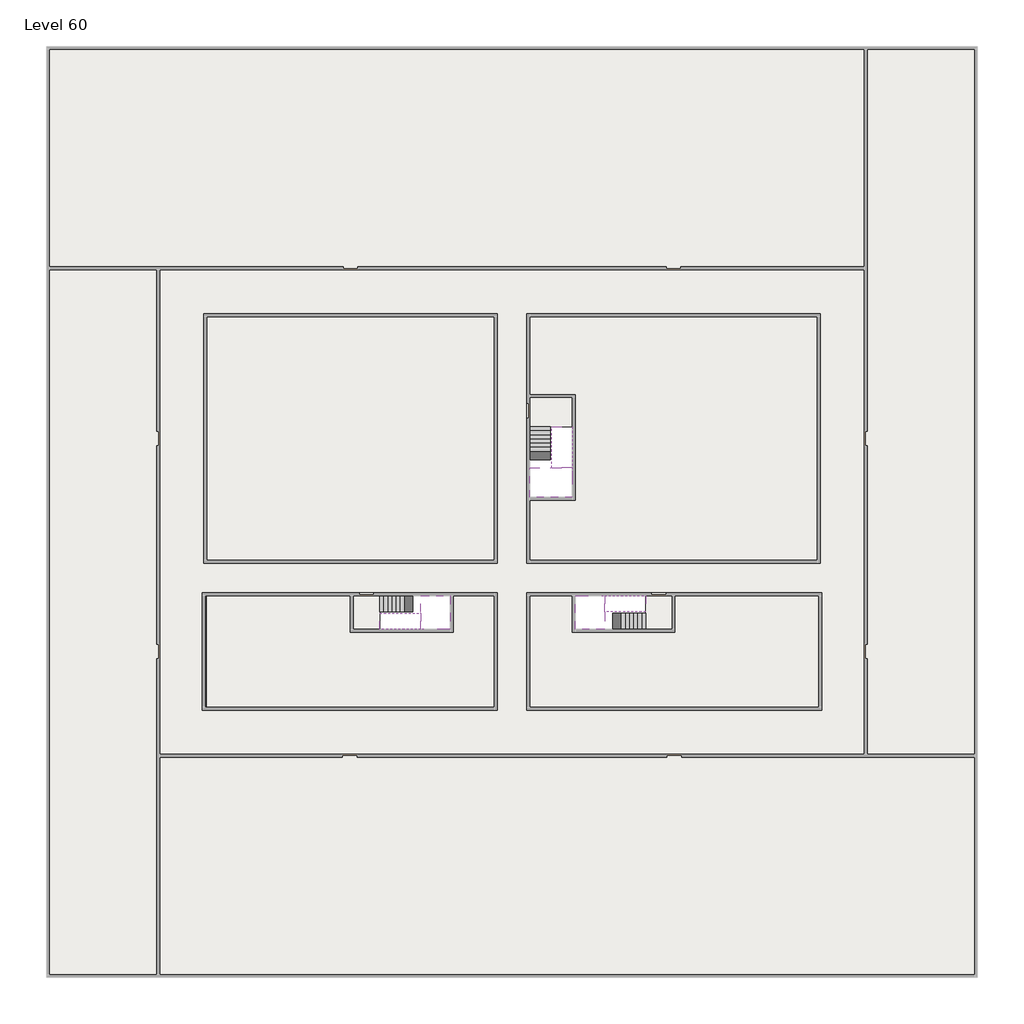
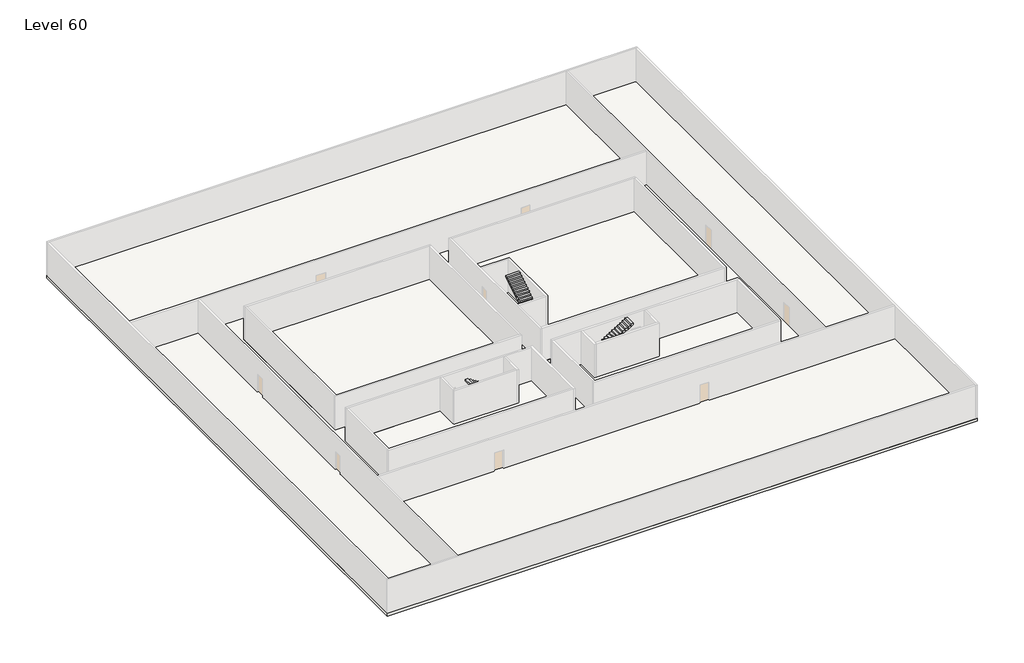
# One storey, part 2 of 2: 6 slabs, 6 stair flights.
"""IFC4 building model written with IfcOpenShell, lengths in millimetres."""

from ifc_helpers import new_model, si_unit, frame, origin, place, context, project, spatial, polyline, outline, extrude, faceted_brep, element, save

model = new_model("IFC4")

# Units and contexts
model_context = context("Model", 3, world=origin())
ifc_project = project(units=[si_unit("LENGTHUNIT", "METRE", prefix="MILLI")], contexts=[model_context])

# Site, building, storey
site = spatial("IfcSite", under=ifc_project)
building = spatial("IfcBuilding", under=site)
storey = spatial("IfcBuildingStorey", under=building, Name="Level 60", Elevation=224200.0)

# Slabs
placement = place(None, origin())
element("IfcSlab", 1, at=placement, inside=storey, context=model_context, shape_type="SweptSolid", body=[
    extrude(outline(polyline([(55890.1058784, -5518.09644), (55890.1058784, -68918.09644), (-7509.8941216, -68918.09644), (-7509.8941216, -5518.09644), (55890.1058784, -5518.09644)]), holes=[polyline([(23190.1058784, -23718.09644), (3190.1058784, -23718.09644), (3190.1058784, -40718.09644), (23190.1058784, -40718.09644), (23190.1058784, -23718.09644)]), polyline([(45190.1058784, -23718.09644), (25190.1058784, -23718.09644), (25190.1058784, -40718.09644), (45190.1058784, -40718.09644), (45190.1058784, -23718.09644)]), polyline([(23190.1058784, -50718.09644), (23190.1058784, -42718.09644), (3390.1058784, -42718.09644), (3390.1058784, -50718.09644), (23190.1058784, -50718.09644)]), polyline([(25190.1058784, -50718.09644), (45190.1058784, -50718.09644), (45190.1058784, -42718.09644), (25190.1058784, -42718.09644), (25190.1058784, -50718.09644)])]), frame((0.0, 0.0, 223900.0), z_axis=(0.0, 0.0, 1.0), x_axis=(1.0, 0.0, 0.0)), (0.0, 0.0, 1.0), 300.0),
])
element("IfcSlab", 2, at=placement, inside=storey, context=model_context, shape_type="Brep", body=[
    faceted_brep([(26790.1058784, -34218.09644, 226100.0), (25390.1058784, -34218.09644, 226100.0), (25390.1058784, -34297.4828763, 226100.0), (25390.1058784, -36218.09644, 226100.0), (28290.1058784, -36218.09644, 226100.0), (28290.1058784, -34418.7100038, 226100.0), (28290.1058784, -34218.09644, 226100.0), (26890.1058784, -34218.09644, 226100.0), (26790.1058784, -34218.09644, 225800.0), (26790.1058784, -34218.09644, 225751.0278478), (25390.1058784, -34218.09644, 225751.0278478), (25390.1058784, -34218.09644, 225927.2727273), (25390.1058784, -34297.4828763, 225800.0), (25390.1058784, -36218.09644, 225800.0), (28290.1058784, -36218.09644, 225800.0), (28290.1058784, -34418.7100038, 225800.0), (28290.1058784, -34218.09644, 225923.7551205), (26890.1058784, -34218.09644, 225923.7551205), (26890.1058784, -34218.09644, 225800.0), (26890.1058784, -34418.7100038, 225800.0), (26790.1058784, -34297.4828763, 225800.0)], [[[0, 1, 2, 3, 4, 5, 6, 7]], [[1, 0, 8, 9, 10, 11]], [[1, 11, 10, 12, 13, 3, 2]], [[4, 3, 13, 14]], [[4, 14, 15, 16, 6, 5]], [[7, 6, 16, 17]], [[0, 7, 17, 18, 8]], [[18, 19, 15, 14, 13, 12, 20, 8]], [[19, 18, 17]], [[20, 12, 10, 9]], [[8, 20, 9]], [[15, 19, 17, 16]]]),
])
element("IfcSlab", 3, at=placement, inside=storey, context=model_context, shape_type="SweptSolid", body=[
    extrude(outline(polyline([(22990.1058784, -23918.09644), (22990.1058784, -40518.09644), (3390.1058784, -40518.09644), (3390.1058784, -23918.09644), (22990.1058784, -23918.09644)])), frame((0.0, 0.0, 223900.0), z_axis=(0.0, 0.0, 1.0), x_axis=(1.0, 0.0, 0.0)), (0.0, 0.0, 1.0), 300.0),
    extrude(outline(polyline([(44990.1058784, -23918.09644), (44990.1058784, -40518.09644), (25390.1058784, -40518.09644), (25390.1058784, -36418.09644), (28490.1058784, -36418.09644), (28490.1058784, -29218.09644), (25390.1058784, -29218.09644), (25390.1058784, -23918.09644), (44990.1058784, -23918.09644)])), frame((0.0, 0.0, 223900.0), z_axis=(0.0, 0.0, 1.0), x_axis=(1.0, 0.0, 0.0)), (0.0, 0.0, 1.0), 300.0),
    extrude(outline(polyline([(22990.1058784, -42918.09644), (22990.1058784, -50518.09644), (3390.1058784, -50518.09644), (3390.1058784, -42918.09644), (13190.1058784, -42918.09644), (13190.1058784, -45418.09644), (20190.1058784, -45418.09644), (20190.1058784, -42918.09644), (22990.1058784, -42918.09644)])), frame((0.0, 0.0, 223900.0), z_axis=(0.0, 0.0, 1.0), x_axis=(1.0, 0.0, 0.0)), (0.0, 0.0, 1.0), 300.0),
    extrude(outline(polyline([(28290.1058784, -42918.09644), (28290.1058784, -45418.09644), (35290.1058784, -45418.09644), (35290.1058784, -42918.09644), (45090.1058784, -42918.09644), (45090.1058784, -50518.09644), (25390.1058784, -50518.09644), (25390.1058784, -42918.09644), (28290.1058784, -42918.09644)])), frame((0.0, 0.0, 223900.0), z_axis=(0.0, 0.0, 1.0), x_axis=(1.0, 0.0, 0.0)), (0.0, 0.0, 1.0), 300.0),
])
element("IfcSlab", 4, at=placement, inside=storey, context=model_context, shape_type="Brep", body=[
    faceted_brep([(30490.1058784, -45218.09644, 226100.0), (30490.1058784, -44118.09644, 226100.0), (30490.1058784, -44018.09644, 226100.0), (30490.1058784, -42918.09644, 226100.0), (30289.4923146, -42918.09644, 226100.0), (28490.1058784, -42918.09644, 226100.0), (28490.1058784, -45218.09644, 226100.0), (30410.7194421, -45218.09644, 226100.0), (30490.1058784, -45218.09644, 225927.2727273), (30490.1058784, -45218.09644, 225751.0278478), (30490.1058784, -44118.09644, 225751.0278478), (30490.1058784, -44118.09644, 225800.0), (30490.1058784, -44018.09644, 225800.0), (30490.1058784, -44018.09644, 225923.7551205), (30490.1058784, -42918.09644, 225923.7551205), (30289.4923146, -42918.09644, 225800.0), (28490.1058784, -42918.09644, 225800.0), (28490.1058784, -45218.09644, 225800.0), (30410.7194421, -45218.09644, 225800.0), (30289.4923146, -44018.09644, 225800.0), (30410.7194421, -44118.09644, 225800.0)], [[[0, 1, 2, 3, 4, 5, 6, 7]], [[1, 0, 8, 9, 10, 11]], [[2, 1, 11, 12, 13]], [[3, 2, 13, 14]], [[3, 14, 15, 16, 5, 4]], [[6, 5, 16, 17]], [[9, 8, 0, 7, 6, 17, 18]], [[19, 12, 11, 20, 18, 17, 16, 15]], [[12, 19, 13]], [[18, 20, 10, 9]], [[20, 11, 10]], [[19, 15, 14, 13]]]),
])
element("IfcSlab", 5, at=placement, inside=storey, context=model_context, shape_type="Brep", body=[
    faceted_brep([(17990.1058784, -42918.09644, 226100.0), (17990.1058784, -44018.09644, 226100.0), (17990.1058784, -44118.09644, 226100.0), (17990.1058784, -45218.09644, 226100.0), (18190.7194421, -45218.09644, 226100.0), (19990.1058784, -45218.09644, 226100.0), (19990.1058784, -42918.09644, 226100.0), (18069.4923146, -42918.09644, 226100.0), (17990.1058784, -42918.09644, 225927.2727273), (17990.1058784, -42918.09644, 225751.0278478), (17990.1058784, -44018.09644, 225751.0278478), (17990.1058784, -44018.09644, 225800.0), (17990.1058784, -44118.09644, 225800.0), (17990.1058784, -44118.09644, 225923.7551205), (17990.1058784, -45218.09644, 225923.7551205), (18190.7194421, -45218.09644, 225800.0), (19990.1058784, -45218.09644, 225800.0), (19990.1058784, -42918.09644, 225800.0), (18069.4923146, -42918.09644, 225800.0), (18190.7194421, -44118.09644, 225800.0), (18069.4923146, -44018.09644, 225800.0)], [[[0, 1, 2, 3, 4, 5, 6, 7]], [[1, 0, 8, 9, 10, 11]], [[2, 1, 11, 12, 13]], [[3, 2, 13, 14]], [[3, 14, 15, 16, 5, 4]], [[6, 5, 16, 17]], [[9, 8, 0, 7, 6, 17, 18]], [[19, 12, 11, 20, 18, 17, 16, 15]], [[12, 19, 13]], [[18, 20, 10, 9]], [[20, 11, 10]], [[19, 15, 14, 13]]]),
])
element("IfcSlab", 6, at=placement, inside=storey, context=model_context, shape_type="SweptSolid", body=[
    extrude(outline(polyline([(25190.1058784, -29418.09644), (28290.1058784, -29418.09644), (28290.1058784, -31418.09644), (25190.1058784, -31418.09644), (25190.1058784, -29418.09644)])), frame((0.0, 0.0, 223900.0), z_axis=(0.0, 0.0, 1.0), x_axis=(1.0, 0.0, 0.0)), (0.0, 0.0, 1.0), 300.0),
    extrude(outline(polyline([(15190.1058784, -45218.09644), (13390.1058784, -45218.09644), (13390.1058784, -42718.09644), (15190.1058784, -42718.09644), (15190.1058784, -45218.09644)])), frame((0.0, 0.0, 223900.0), z_axis=(0.0, 0.0, 1.0), x_axis=(1.0, 0.0, 0.0)), (0.0, 0.0, 1.0), 300.0),
    extrude(outline(polyline([(35090.1058784, -45218.09644), (33290.1058784, -45218.09644), (33290.1058784, -42718.09644), (35090.1058784, -42718.09644), (35090.1058784, -45218.09644)])), frame((0.0, 0.0, 223900.0), z_axis=(0.0, 0.0, 1.0), x_axis=(1.0, 0.0, 0.0)), (0.0, 0.0, 1.0), 300.0),
])

# Stair flights
element("IfcStairFlight", 7, at=placement, inside=storey, context=model_context, shape_type="Brep", body=[
    faceted_brep([(26790.1058784, -31698.09644, 224372.7272727), (26790.1058784, -31418.09644, 224372.7272727), (25390.1058784, -31418.09644, 224372.7272727), (25390.1058784, -31698.09644, 224372.7272727), (26790.1058784, -31698.09644, 224200.0), (26790.1058784, -31418.09644, 224200.0), (25390.1058784, -31418.09644, 224200.0), (25390.1058784, -31698.09644, 224200.0), (26790.1058784, -31978.09644, 224545.4545455), (26790.1058784, -31698.09644, 224545.4545455), (25390.1058784, -31698.09644, 224545.4545455), (25390.1058784, -31978.09644, 224545.4545455), (26790.1058784, -31978.09644, 224369.209666), (26790.1058784, -31703.7986657, 224200.0), (25390.1058784, -31703.7986657, 224200.0), (25390.1058784, -31978.09644, 224369.209666), (26790.1058784, -32258.09644, 224718.1818182), (26790.1058784, -31978.09644, 224718.1818182), (25390.1058784, -31978.09644, 224718.1818182), (25390.1058784, -32258.09644, 224718.1818182), (26790.1058784, -32258.09644, 224541.9369387), (25390.1058784, -32258.09644, 224541.9369387), (26790.1058784, -32538.09644, 224890.9090909), (26790.1058784, -32258.09644, 224890.9090909), (25390.1058784, -32258.09644, 224890.9090909), (25390.1058784, -32538.09644, 224890.9090909), (26790.1058784, -32538.09644, 224714.6642114), (25390.1058784, -32538.09644, 224714.6642114), (26790.1058784, -32818.09644, 225063.6363636), (26790.1058784, -32538.09644, 225063.6363636), (25390.1058784, -32538.09644, 225063.6363636), (25390.1058784, -32818.09644, 225063.6363636), (26790.1058784, -32818.09644, 224887.3914841), (25390.1058784, -32818.09644, 224887.3914841), (26790.1058784, -33098.09644, 225236.3636364), (26790.1058784, -32818.09644, 225236.3636364), (25390.1058784, -32818.09644, 225236.3636364), (25390.1058784, -33098.09644, 225236.3636364), (26790.1058784, -33098.09644, 225060.1187569), (25390.1058784, -33098.09644, 225060.1187569), (26790.1058784, -33378.09644, 225409.0909091), (26790.1058784, -33098.09644, 225409.0909091), (25390.1058784, -33098.09644, 225409.0909091), (25390.1058784, -33378.09644, 225409.0909091), (26790.1058784, -33378.09644, 225232.8460296), (25390.1058784, -33378.09644, 225232.8460296), (26790.1058784, -33658.09644, 225581.8181818), (26790.1058784, -33378.09644, 225581.8181818), (25390.1058784, -33378.09644, 225581.8181818), (25390.1058784, -33658.09644, 225581.8181818), (26790.1058784, -33658.09644, 225405.5733023), (25390.1058784, -33658.09644, 225405.5733023), (26790.1058784, -33938.09644, 225754.5454545), (26790.1058784, -33658.09644, 225754.5454545), (25390.1058784, -33658.09644, 225754.5454545), (25390.1058784, -33938.09644, 225754.5454545), (26790.1058784, -33938.09644, 225578.3005751), (25390.1058784, -33938.09644, 225578.3005751), (26790.1058784, -34218.09644, 225927.2727273), (26790.1058784, -33938.09644, 225927.2727273), (25390.1058784, -33938.09644, 225927.2727273), (25390.1058784, -34218.09644, 225927.2727273), (26790.1058784, -34218.09644, 225800.0), (26790.1058784, -34218.09644, 225751.0278478), (25390.1058784, -34218.09644, 225751.0278478)], [[[0, 1, 2, 3]], [[1, 0, 4, 5]], [[2, 1, 5, 6]], [[3, 2, 6, 7]], [[8, 9, 10, 11]], [[4, 0, 9, 8, 12, 13]], [[0, 3, 10, 9]], [[3, 7, 14, 15, 11, 10]], [[16, 17, 18, 19]], [[17, 16, 20, 12, 8]], [[8, 11, 18, 17]], [[19, 18, 11, 15, 21]], [[22, 23, 24, 25]], [[23, 22, 26, 20, 16]], [[16, 19, 24, 23]], [[25, 24, 19, 21, 27]], [[28, 29, 30, 31]], [[29, 28, 32, 26, 22]], [[22, 25, 30, 29]], [[31, 30, 25, 27, 33]], [[34, 35, 36, 37]], [[35, 34, 38, 32, 28]], [[28, 31, 36, 35]], [[37, 36, 31, 33, 39]], [[40, 41, 42, 43]], [[41, 40, 44, 38, 34]], [[34, 37, 42, 41]], [[43, 42, 37, 39, 45]], [[46, 47, 48, 49]], [[47, 46, 50, 44, 40]], [[40, 43, 48, 47]], [[49, 48, 43, 45, 51]], [[52, 53, 54, 55]], [[53, 52, 56, 50, 46]], [[46, 49, 54, 53]], [[55, 54, 49, 51, 57]], [[58, 59, 60, 61]], [[59, 58, 62, 63, 56, 52]], [[52, 55, 60, 59]], [[61, 60, 55, 57, 64]], [[58, 61, 64, 63, 62]], [[5, 4, 13, 14, 7, 6]], [[14, 13, 12, 20, 26, 32, 38, 44, 50, 56, 63, 64, 57, 51, 45, 39, 33, 27, 21, 15]]]),
])
element("IfcStairFlight", 8, at=placement, inside=storey, context=model_context, shape_type="Brep", body=[
    faceted_brep([(26890.1058784, -33938.09644, 226272.7272727), (26890.1058784, -34218.09644, 226272.7272727), (28290.1058784, -34218.09644, 226272.7272727), (28290.1058784, -33938.09644, 226272.7272727), (26890.1058784, -33938.09644, 226096.4823932), (26890.1058784, -34218.09644, 225923.7551205), (28290.1058784, -34218.09644, 225923.7551205), (28290.1058784, -34218.09644, 226100.0), (28290.1058784, -33938.09644, 226096.4823932), (26890.1058784, -33658.09644, 226445.4545455), (26890.1058784, -33938.09644, 226445.4545455), (28290.1058784, -33938.09644, 226445.4545455), (28290.1058784, -33658.09644, 226445.4545455), (26890.1058784, -33658.09644, 226269.209666), (28290.1058784, -33658.09644, 226269.209666), (26890.1058784, -33378.09644, 226618.1818182), (26890.1058784, -33658.09644, 226618.1818182), (28290.1058784, -33658.09644, 226618.1818182), (28290.1058784, -33378.09644, 226618.1818182), (26890.1058784, -33378.09644, 226441.9369387), (28290.1058784, -33378.09644, 226441.9369387), (26890.1058784, -33098.09644, 226790.9090909), (26890.1058784, -33378.09644, 226790.9090909), (28290.1058784, -33378.09644, 226790.9090909), (28290.1058784, -33098.09644, 226790.9090909), (26890.1058784, -33098.09644, 226614.6642114), (28290.1058784, -33098.09644, 226614.6642114), (26890.1058784, -32818.09644, 226963.6363636), (26890.1058784, -33098.09644, 226963.6363636), (28290.1058784, -33098.09644, 226963.6363636), (28290.1058784, -32818.09644, 226963.6363636), (26890.1058784, -32818.09644, 226787.3914841), (28290.1058784, -32818.09644, 226787.3914841), (26890.1058784, -32538.09644, 227136.3636364), (26890.1058784, -32818.09644, 227136.3636364), (28290.1058784, -32818.09644, 227136.3636364), (28290.1058784, -32538.09644, 227136.3636364), (26890.1058784, -32538.09644, 226960.1187569), (28290.1058784, -32538.09644, 226960.1187569), (26890.1058784, -32258.09644, 227309.0909091), (26890.1058784, -32538.09644, 227309.0909091), (28290.1058784, -32538.09644, 227309.0909091), (28290.1058784, -32258.09644, 227309.0909091), (26890.1058784, -32258.09644, 227132.8460296), (28290.1058784, -32258.09644, 227132.8460296), (26890.1058784, -31978.09644, 227481.8181818), (26890.1058784, -32258.09644, 227481.8181818), (28290.1058784, -32258.09644, 227481.8181818), (28290.1058784, -31978.09644, 227481.8181818), (26890.1058784, -31978.09644, 227305.5733023), (28290.1058784, -31978.09644, 227305.5733023), (26890.1058784, -31698.09644, 227654.5454545), (26890.1058784, -31978.09644, 227654.5454545), (28290.1058784, -31978.09644, 227654.5454545), (28290.1058784, -31698.09644, 227654.5454545), (26890.1058784, -31698.09644, 227478.3005751), (28290.1058784, -31698.09644, 227478.3005751), (26890.1058784, -31418.09644, 227827.2727273), (26890.1058784, -31698.09644, 227827.2727273), (28290.1058784, -31698.09644, 227827.2727273), (28290.1058784, -31418.09644, 227827.2727273), (26890.1058784, -31418.09644, 227651.0278478), (28290.1058784, -31418.09644, 227651.0278478)], [[[0, 1, 2, 3]], [[1, 0, 4, 5]], [[2, 1, 5, 6, 7]], [[3, 2, 7, 6, 8]], [[9, 10, 11, 12]], [[10, 9, 13, 4, 0]], [[11, 10, 0, 3]], [[12, 11, 3, 8, 14]], [[15, 16, 17, 18]], [[16, 15, 19, 13, 9]], [[17, 16, 9, 12]], [[18, 17, 12, 14, 20]], [[21, 22, 23, 24]], [[22, 21, 25, 19, 15]], [[23, 22, 15, 18]], [[24, 23, 18, 20, 26]], [[27, 28, 29, 30]], [[28, 27, 31, 25, 21]], [[29, 28, 21, 24]], [[30, 29, 24, 26, 32]], [[33, 34, 35, 36]], [[34, 33, 37, 31, 27]], [[35, 34, 27, 30]], [[36, 35, 30, 32, 38]], [[39, 40, 41, 42]], [[40, 39, 43, 37, 33]], [[41, 40, 33, 36]], [[42, 41, 36, 38, 44]], [[45, 46, 47, 48]], [[46, 45, 49, 43, 39]], [[47, 46, 39, 42]], [[48, 47, 42, 44, 50]], [[51, 52, 53, 54]], [[52, 51, 55, 49, 45]], [[53, 52, 45, 48]], [[54, 53, 48, 50, 56]], [[57, 58, 59, 60]], [[58, 57, 61, 55, 51]], [[59, 58, 51, 54]], [[60, 59, 54, 56, 62]], [[57, 60, 62, 61]], [[5, 4, 13, 19, 25, 31, 37, 43, 49, 55, 61, 62, 56, 50, 44, 38, 32, 26, 20, 14, 8, 6]]]),
])
element("IfcStairFlight", 9, at=placement, inside=storey, context=model_context, shape_type="Brep", body=[
    faceted_brep([(33010.1058784, -45218.09644, 224372.7272727), (33290.1058784, -45218.09644, 224372.7272727), (33290.1058784, -44118.09644, 224372.7272727), (33010.1058784, -44118.09644, 224372.7272727), (33010.1058784, -45218.09644, 224200.0), (33290.1058784, -45218.09644, 224200.0), (33290.1058784, -44118.09644, 224200.0), (33010.1058784, -44118.09644, 224200.0), (32730.1058784, -45218.09644, 224545.4545455), (33010.1058784, -45218.09644, 224545.4545455), (33010.1058784, -44118.09644, 224545.4545455), (32730.1058784, -44118.09644, 224545.4545455), (32730.1058784, -45218.09644, 224369.209666), (33004.4036527, -45218.09644, 224200.0), (33004.4036527, -44118.09644, 224200.0), (32730.1058784, -44118.09644, 224369.209666), (32450.1058784, -45218.09644, 224718.1818182), (32730.1058784, -45218.09644, 224718.1818182), (32730.1058784, -44118.09644, 224718.1818182), (32450.1058784, -44118.09644, 224718.1818182), (32450.1058784, -45218.09644, 224541.9369387), (32450.1058784, -44118.09644, 224541.9369387), (32170.1058784, -45218.09644, 224890.9090909), (32450.1058784, -45218.09644, 224890.9090909), (32450.1058784, -44118.09644, 224890.9090909), (32170.1058784, -44118.09644, 224890.9090909), (32170.1058784, -45218.09644, 224714.6642114), (32170.1058784, -44118.09644, 224714.6642114), (31890.1058784, -45218.09644, 225063.6363636), (32170.1058784, -45218.09644, 225063.6363636), (32170.1058784, -44118.09644, 225063.6363636), (31890.1058784, -44118.09644, 225063.6363636), (31890.1058784, -45218.09644, 224887.3914841), (31890.1058784, -44118.09644, 224887.3914841), (31610.1058784, -45218.09644, 225236.3636364), (31890.1058784, -45218.09644, 225236.3636364), (31890.1058784, -44118.09644, 225236.3636364), (31610.1058784, -44118.09644, 225236.3636364), (31610.1058784, -45218.09644, 225060.1187569), (31610.1058784, -44118.09644, 225060.1187569), (31330.1058784, -45218.09644, 225409.0909091), (31610.1058784, -45218.09644, 225409.0909091), (31610.1058784, -44118.09644, 225409.0909091), (31330.1058784, -44118.09644, 225409.0909091), (31330.1058784, -45218.09644, 225232.8460296), (31330.1058784, -44118.09644, 225232.8460296), (31050.1058784, -45218.09644, 225581.8181818), (31330.1058784, -45218.09644, 225581.8181818), (31330.1058784, -44118.09644, 225581.8181818), (31050.1058784, -44118.09644, 225581.8181818), (31050.1058784, -45218.09644, 225405.5733023), (31050.1058784, -44118.09644, 225405.5733023), (30770.1058784, -45218.09644, 225754.5454545), (31050.1058784, -45218.09644, 225754.5454545), (31050.1058784, -44118.09644, 225754.5454545), (30770.1058784, -44118.09644, 225754.5454545), (30770.1058784, -45218.09644, 225578.3005751), (30770.1058784, -44118.09644, 225578.3005751), (30490.1058784, -45218.09644, 225927.2727273), (30770.1058784, -45218.09644, 225927.2727273), (30770.1058784, -44118.09644, 225927.2727273), (30490.1058784, -44118.09644, 225927.2727273), (30490.1058784, -45218.09644, 225751.0278478), (30490.1058784, -44118.09644, 225751.0278478), (30490.1058784, -44118.09644, 225800.0)], [[[0, 1, 2, 3]], [[1, 0, 4, 5]], [[2, 1, 5, 6]], [[3, 2, 6, 7]], [[8, 9, 10, 11]], [[4, 0, 9, 8, 12, 13]], [[0, 3, 10, 9]], [[3, 7, 14, 15, 11, 10]], [[16, 17, 18, 19]], [[17, 16, 20, 12, 8]], [[8, 11, 18, 17]], [[19, 18, 11, 15, 21]], [[22, 23, 24, 25]], [[23, 22, 26, 20, 16]], [[16, 19, 24, 23]], [[25, 24, 19, 21, 27]], [[28, 29, 30, 31]], [[29, 28, 32, 26, 22]], [[22, 25, 30, 29]], [[31, 30, 25, 27, 33]], [[34, 35, 36, 37]], [[35, 34, 38, 32, 28]], [[28, 31, 36, 35]], [[37, 36, 31, 33, 39]], [[40, 41, 42, 43]], [[41, 40, 44, 38, 34]], [[34, 37, 42, 41]], [[43, 42, 37, 39, 45]], [[46, 47, 48, 49]], [[47, 46, 50, 44, 40]], [[40, 43, 48, 47]], [[49, 48, 43, 45, 51]], [[52, 53, 54, 55]], [[53, 52, 56, 50, 46]], [[46, 49, 54, 53]], [[55, 54, 49, 51, 57]], [[58, 59, 60, 61]], [[59, 58, 62, 56, 52]], [[52, 55, 60, 59]], [[61, 60, 55, 57, 63, 64]], [[58, 61, 64, 63, 62]], [[5, 4, 13, 14, 7, 6]], [[14, 13, 12, 20, 26, 32, 38, 44, 50, 56, 62, 63, 57, 51, 45, 39, 33, 27, 21, 15]]]),
])
element("IfcStairFlight", 10, at=placement, inside=storey, context=model_context, shape_type="Brep", body=[
    faceted_brep([(30770.1058784, -42918.09644, 226272.7272727), (30490.1058784, -42918.09644, 226272.7272727), (30490.1058784, -44018.09644, 226272.7272727), (30770.1058784, -44018.09644, 226272.7272727), (30770.1058784, -42918.09644, 226096.4823932), (30490.1058784, -42918.09644, 225923.7551205), (30490.1058784, -42918.09644, 226100.0), (30490.1058784, -44018.09644, 225923.7551205), (30770.1058784, -44018.09644, 226096.4823932), (31050.1058784, -42918.09644, 226445.4545455), (30770.1058784, -42918.09644, 226445.4545455), (30770.1058784, -44018.09644, 226445.4545455), (31050.1058784, -44018.09644, 226445.4545455), (31050.1058784, -42918.09644, 226269.209666), (31050.1058784, -44018.09644, 226269.209666), (31330.1058784, -42918.09644, 226618.1818182), (31050.1058784, -42918.09644, 226618.1818182), (31050.1058784, -44018.09644, 226618.1818182), (31330.1058784, -44018.09644, 226618.1818182), (31330.1058784, -42918.09644, 226441.9369387), (31330.1058784, -44018.09644, 226441.9369387), (31610.1058784, -42918.09644, 226790.9090909), (31330.1058784, -42918.09644, 226790.9090909), (31330.1058784, -44018.09644, 226790.9090909), (31610.1058784, -44018.09644, 226790.9090909), (31610.1058784, -42918.09644, 226614.6642114), (31610.1058784, -44018.09644, 226614.6642114), (31890.1058784, -42918.09644, 226963.6363636), (31610.1058784, -42918.09644, 226963.6363636), (31610.1058784, -44018.09644, 226963.6363636), (31890.1058784, -44018.09644, 226963.6363636), (31890.1058784, -42918.09644, 226787.3914841), (31890.1058784, -44018.09644, 226787.3914841), (32170.1058784, -42918.09644, 227136.3636364), (31890.1058784, -42918.09644, 227136.3636364), (31890.1058784, -44018.09644, 227136.3636364), (32170.1058784, -44018.09644, 227136.3636364), (32170.1058784, -42918.09644, 226960.1187569), (32170.1058784, -44018.09644, 226960.1187569), (32450.1058784, -42918.09644, 227309.0909091), (32170.1058784, -42918.09644, 227309.0909091), (32170.1058784, -44018.09644, 227309.0909091), (32450.1058784, -44018.09644, 227309.0909091), (32450.1058784, -42918.09644, 227132.8460296), (32450.1058784, -44018.09644, 227132.8460296), (32730.1058784, -42918.09644, 227481.8181818), (32450.1058784, -42918.09644, 227481.8181818), (32450.1058784, -44018.09644, 227481.8181818), (32730.1058784, -44018.09644, 227481.8181818), (32730.1058784, -42918.09644, 227305.5733023), (32730.1058784, -44018.09644, 227305.5733023), (33010.1058784, -42918.09644, 227654.5454545), (32730.1058784, -42918.09644, 227654.5454545), (32730.1058784, -44018.09644, 227654.5454545), (33010.1058784, -44018.09644, 227654.5454545), (33010.1058784, -42918.09644, 227478.3005751), (33010.1058784, -44018.09644, 227478.3005751), (33290.1058784, -42918.09644, 227827.2727273), (33010.1058784, -42918.09644, 227827.2727273), (33010.1058784, -44018.09644, 227827.2727273), (33290.1058784, -44018.09644, 227827.2727273), (33290.1058784, -42918.09644, 227651.0278478), (33290.1058784, -44018.09644, 227651.0278478)], [[[0, 1, 2, 3]], [[1, 0, 4, 5, 6]], [[2, 1, 6, 5, 7]], [[3, 2, 7, 8]], [[9, 10, 11, 12]], [[10, 9, 13, 4, 0]], [[11, 10, 0, 3]], [[12, 11, 3, 8, 14]], [[15, 16, 17, 18]], [[16, 15, 19, 13, 9]], [[17, 16, 9, 12]], [[18, 17, 12, 14, 20]], [[21, 22, 23, 24]], [[22, 21, 25, 19, 15]], [[23, 22, 15, 18]], [[24, 23, 18, 20, 26]], [[27, 28, 29, 30]], [[28, 27, 31, 25, 21]], [[29, 28, 21, 24]], [[30, 29, 24, 26, 32]], [[33, 34, 35, 36]], [[34, 33, 37, 31, 27]], [[35, 34, 27, 30]], [[36, 35, 30, 32, 38]], [[39, 40, 41, 42]], [[40, 39, 43, 37, 33]], [[41, 40, 33, 36]], [[42, 41, 36, 38, 44]], [[45, 46, 47, 48]], [[46, 45, 49, 43, 39]], [[47, 46, 39, 42]], [[48, 47, 42, 44, 50]], [[51, 52, 53, 54]], [[52, 51, 55, 49, 45]], [[53, 52, 45, 48]], [[54, 53, 48, 50, 56]], [[57, 58, 59, 60]], [[58, 57, 61, 55, 51]], [[59, 58, 51, 54]], [[60, 59, 54, 56, 62]], [[57, 60, 62, 61]], [[5, 4, 13, 19, 25, 31, 37, 43, 49, 55, 61, 62, 56, 50, 44, 38, 32, 26, 20, 14, 8, 7]]]),
])
element("IfcStairFlight", 11, at=placement, inside=storey, context=model_context, shape_type="Brep", body=[
    faceted_brep([(15470.1058784, -42918.09644, 224372.7272727), (15190.1058784, -42918.09644, 224372.7272727), (15190.1058784, -44018.09644, 224372.7272727), (15470.1058784, -44018.09644, 224372.7272727), (15470.1058784, -42918.09644, 224200.0), (15190.1058784, -42918.09644, 224200.0), (15190.1058784, -44018.09644, 224200.0), (15470.1058784, -44018.09644, 224200.0), (15750.1058784, -42918.09644, 224545.4545455), (15470.1058784, -42918.09644, 224545.4545455), (15470.1058784, -44018.09644, 224545.4545455), (15750.1058784, -44018.09644, 224545.4545455), (15750.1058784, -42918.09644, 224369.209666), (15475.8081041, -42918.09644, 224200.0), (15475.8081041, -44018.09644, 224200.0), (15750.1058784, -44018.09644, 224369.209666), (16030.1058784, -42918.09644, 224718.1818182), (15750.1058784, -42918.09644, 224718.1818182), (15750.1058784, -44018.09644, 224718.1818182), (16030.1058784, -44018.09644, 224718.1818182), (16030.1058784, -42918.09644, 224541.9369387), (16030.1058784, -44018.09644, 224541.9369387), (16310.1058784, -42918.09644, 224890.9090909), (16030.1058784, -42918.09644, 224890.9090909), (16030.1058784, -44018.09644, 224890.9090909), (16310.1058784, -44018.09644, 224890.9090909), (16310.1058784, -42918.09644, 224714.6642114), (16310.1058784, -44018.09644, 224714.6642114), (16590.1058784, -42918.09644, 225063.6363636), (16310.1058784, -42918.09644, 225063.6363636), (16310.1058784, -44018.09644, 225063.6363636), (16590.1058784, -44018.09644, 225063.6363636), (16590.1058784, -42918.09644, 224887.3914841), (16590.1058784, -44018.09644, 224887.3914841), (16870.1058784, -42918.09644, 225236.3636364), (16590.1058784, -42918.09644, 225236.3636364), (16590.1058784, -44018.09644, 225236.3636364), (16870.1058784, -44018.09644, 225236.3636364), (16870.1058784, -42918.09644, 225060.1187569), (16870.1058784, -44018.09644, 225060.1187569), (17150.1058784, -42918.09644, 225409.0909091), (16870.1058784, -42918.09644, 225409.0909091), (16870.1058784, -44018.09644, 225409.0909091), (17150.1058784, -44018.09644, 225409.0909091), (17150.1058784, -42918.09644, 225232.8460296), (17150.1058784, -44018.09644, 225232.8460296), (17430.1058784, -42918.09644, 225581.8181818), (17150.1058784, -42918.09644, 225581.8181818), (17150.1058784, -44018.09644, 225581.8181818), (17430.1058784, -44018.09644, 225581.8181818), (17430.1058784, -42918.09644, 225405.5733023), (17430.1058784, -44018.09644, 225405.5733023), (17710.1058784, -42918.09644, 225754.5454545), (17430.1058784, -42918.09644, 225754.5454545), (17430.1058784, -44018.09644, 225754.5454545), (17710.1058784, -44018.09644, 225754.5454545), (17710.1058784, -42918.09644, 225578.3005751), (17710.1058784, -44018.09644, 225578.3005751), (17990.1058784, -42918.09644, 225927.2727273), (17710.1058784, -42918.09644, 225927.2727273), (17710.1058784, -44018.09644, 225927.2727273), (17990.1058784, -44018.09644, 225927.2727273), (17990.1058784, -42918.09644, 225751.0278478), (17990.1058784, -44018.09644, 225751.0278478), (17990.1058784, -44018.09644, 225800.0)], [[[0, 1, 2, 3]], [[1, 0, 4, 5]], [[2, 1, 5, 6]], [[3, 2, 6, 7]], [[8, 9, 10, 11]], [[4, 0, 9, 8, 12, 13]], [[0, 3, 10, 9]], [[3, 7, 14, 15, 11, 10]], [[16, 17, 18, 19]], [[17, 16, 20, 12, 8]], [[8, 11, 18, 17]], [[19, 18, 11, 15, 21]], [[22, 23, 24, 25]], [[23, 22, 26, 20, 16]], [[16, 19, 24, 23]], [[25, 24, 19, 21, 27]], [[28, 29, 30, 31]], [[29, 28, 32, 26, 22]], [[22, 25, 30, 29]], [[31, 30, 25, 27, 33]], [[34, 35, 36, 37]], [[35, 34, 38, 32, 28]], [[28, 31, 36, 35]], [[37, 36, 31, 33, 39]], [[40, 41, 42, 43]], [[41, 40, 44, 38, 34]], [[34, 37, 42, 41]], [[43, 42, 37, 39, 45]], [[46, 47, 48, 49]], [[47, 46, 50, 44, 40]], [[40, 43, 48, 47]], [[49, 48, 43, 45, 51]], [[52, 53, 54, 55]], [[53, 52, 56, 50, 46]], [[46, 49, 54, 53]], [[55, 54, 49, 51, 57]], [[58, 59, 60, 61]], [[59, 58, 62, 56, 52]], [[52, 55, 60, 59]], [[61, 60, 55, 57, 63, 64]], [[58, 61, 64, 63, 62]], [[5, 4, 13, 14, 7, 6]], [[14, 13, 12, 20, 26, 32, 38, 44, 50, 56, 62, 63, 57, 51, 45, 39, 33, 27, 21, 15]]]),
])
element("IfcStairFlight", 12, at=placement, inside=storey, context=model_context, shape_type="Brep", body=[
    faceted_brep([(17710.1058784, -45218.09644, 226272.7272727), (17990.1058784, -45218.09644, 226272.7272727), (17990.1058784, -44118.09644, 226272.7272727), (17710.1058784, -44118.09644, 226272.7272727), (17710.1058784, -45218.09644, 226096.4823932), (17990.1058784, -45218.09644, 225923.7551205), (17990.1058784, -45218.09644, 226100.0), (17990.1058784, -44118.09644, 225923.7551205), (17710.1058784, -44118.09644, 226096.4823932), (17430.1058784, -45218.09644, 226445.4545455), (17710.1058784, -45218.09644, 226445.4545455), (17710.1058784, -44118.09644, 226445.4545455), (17430.1058784, -44118.09644, 226445.4545455), (17430.1058784, -45218.09644, 226269.209666), (17430.1058784, -44118.09644, 226269.209666), (17150.1058784, -45218.09644, 226618.1818182), (17430.1058784, -45218.09644, 226618.1818182), (17430.1058784, -44118.09644, 226618.1818182), (17150.1058784, -44118.09644, 226618.1818182), (17150.1058784, -45218.09644, 226441.9369387), (17150.1058784, -44118.09644, 226441.9369387), (16870.1058784, -45218.09644, 226790.9090909), (17150.1058784, -45218.09644, 226790.9090909), (17150.1058784, -44118.09644, 226790.9090909), (16870.1058784, -44118.09644, 226790.9090909), (16870.1058784, -45218.09644, 226614.6642114), (16870.1058784, -44118.09644, 226614.6642114), (16590.1058784, -45218.09644, 226963.6363636), (16870.1058784, -45218.09644, 226963.6363636), (16870.1058784, -44118.09644, 226963.6363636), (16590.1058784, -44118.09644, 226963.6363636), (16590.1058784, -45218.09644, 226787.3914841), (16590.1058784, -44118.09644, 226787.3914841), (16310.1058784, -45218.09644, 227136.3636364), (16590.1058784, -45218.09644, 227136.3636364), (16590.1058784, -44118.09644, 227136.3636364), (16310.1058784, -44118.09644, 227136.3636364), (16310.1058784, -45218.09644, 226960.1187569), (16310.1058784, -44118.09644, 226960.1187569), (16030.1058784, -45218.09644, 227309.0909091), (16310.1058784, -45218.09644, 227309.0909091), (16310.1058784, -44118.09644, 227309.0909091), (16030.1058784, -44118.09644, 227309.0909091), (16030.1058784, -45218.09644, 227132.8460296), (16030.1058784, -44118.09644, 227132.8460296), (15750.1058784, -45218.09644, 227481.8181818), (16030.1058784, -45218.09644, 227481.8181818), (16030.1058784, -44118.09644, 227481.8181818), (15750.1058784, -44118.09644, 227481.8181818), (15750.1058784, -45218.09644, 227305.5733023), (15750.1058784, -44118.09644, 227305.5733023), (15470.1058784, -45218.09644, 227654.5454545), (15750.1058784, -45218.09644, 227654.5454545), (15750.1058784, -44118.09644, 227654.5454545), (15470.1058784, -44118.09644, 227654.5454545), (15470.1058784, -45218.09644, 227478.3005751), (15470.1058784, -44118.09644, 227478.3005751), (15190.1058784, -45218.09644, 227827.2727273), (15470.1058784, -45218.09644, 227827.2727273), (15470.1058784, -44118.09644, 227827.2727273), (15190.1058784, -44118.09644, 227827.2727273), (15190.1058784, -45218.09644, 227651.0278478), (15190.1058784, -44118.09644, 227651.0278478)], [[[0, 1, 2, 3]], [[1, 0, 4, 5, 6]], [[2, 1, 6, 5, 7]], [[3, 2, 7, 8]], [[9, 10, 11, 12]], [[10, 9, 13, 4, 0]], [[11, 10, 0, 3]], [[12, 11, 3, 8, 14]], [[15, 16, 17, 18]], [[16, 15, 19, 13, 9]], [[17, 16, 9, 12]], [[18, 17, 12, 14, 20]], [[21, 22, 23, 24]], [[22, 21, 25, 19, 15]], [[23, 22, 15, 18]], [[24, 23, 18, 20, 26]], [[27, 28, 29, 30]], [[28, 27, 31, 25, 21]], [[29, 28, 21, 24]], [[30, 29, 24, 26, 32]], [[33, 34, 35, 36]], [[34, 33, 37, 31, 27]], [[35, 34, 27, 30]], [[36, 35, 30, 32, 38]], [[39, 40, 41, 42]], [[40, 39, 43, 37, 33]], [[41, 40, 33, 36]], [[42, 41, 36, 38, 44]], [[45, 46, 47, 48]], [[46, 45, 49, 43, 39]], [[47, 46, 39, 42]], [[48, 47, 42, 44, 50]], [[51, 52, 53, 54]], [[52, 51, 55, 49, 45]], [[53, 52, 45, 48]], [[54, 53, 48, 50, 56]], [[57, 58, 59, 60]], [[58, 57, 61, 55, 51]], [[59, 58, 51, 54]], [[60, 59, 54, 56, 62]], [[57, 60, 62, 61]], [[5, 4, 13, 19, 25, 31, 37, 43, 49, 55, 61, 62, 56, 50, 44, 38, 32, 26, 20, 14, 8, 7]]]),
])

save(model, "model.ifc")
